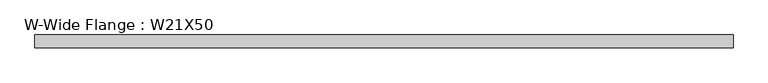
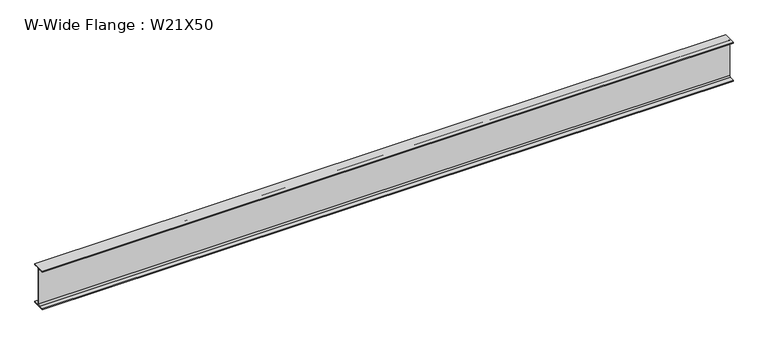
"""IFC4 building model written with IfcOpenShell, lengths in millimetres: beam geometry, W-Wide Flange : W21X50."""

from ifc_helpers import new_model, si_unit, point, frame, frame_2d, origin, place, context, project, spatial, polyline, circle_curve, trimmed, segment, composite_curve, outline, extrude, source, transform, mapped, element, save


def w_wide_flange_w21x50_3cc4504d(model_context):
    return source(origin(), model_context, "Body", "SweptSolid", [
        extrude(outline(composite_curve([segment(polyline([(82.946875, -250.5769531), (82.946875, -264.1699219), (-82.946875, -264.1699219), (-82.946875, -250.5769531), (-22.9691406, -250.5769531)]), True, "CONTINUOUS"), segment(trimmed(circle_curve(frame_2d((-22.9691406, -232.4199219)), 18.1570312), [point((-22.9691406, -250.5769531))], [point((-4.8121094, -232.4199219))], True, "CARTESIAN"), True, "CONTINUOUS"), segment(polyline([(-4.8121094, -232.4199219), (-4.8121094, 232.4199219)]), True, "CONTINUOUS"), segment(trimmed(circle_curve(frame_2d((-22.9691406, 232.4199219)), 18.1570312), [point((-4.8121094, 232.4199219))], [point((-22.9691406, 250.5769531))], True, "CARTESIAN"), True, "CONTINUOUS"), segment(polyline([(-22.9691406, 250.5769531), (-82.946875, 250.5769531), (-82.946875, 264.1699219), (82.946875, 264.1699219), (82.946875, 250.5769531), (22.9691406, 250.5769531)]), True, "CONTINUOUS"), segment(trimmed(circle_curve(frame_2d((22.9691406, 232.4199219)), 18.1570312), [point((22.9691406, 250.5769531))], [point((4.8121094, 232.4199219))], True, "CARTESIAN"), True, "CONTINUOUS"), segment(polyline([(4.8121094, 232.4199219), (4.8121094, -232.4199219)]), True, "CONTINUOUS"), segment(trimmed(circle_curve(frame_2d((22.9691406, -232.4199219)), 18.1570312), [point((4.8121094, -232.4199219))], [point((22.9691406, -250.5769531))], True, "CARTESIAN"), True, "CONTINUOUS"), segment(polyline([(22.9691406, -250.5769531), (82.946875, -250.5769531)]), True, "CONTINUOUS")], self_intersect=False)), frame((-4458.4441406, 0.0, 0.0), z_axis=(1.0, 0.0, 0.0), x_axis=(0.0, 1.0, 0.0)), (0.0, 0.0, 1.0), 8914.8542969),
    ])


if __name__ == "__main__":
    model = new_model("IFC4")
    model_context = context("Model", 3, world=origin())
    ifc_project = project(units=[si_unit("LENGTHUNIT", "METRE", prefix="MILLI")], contexts=[model_context])
    site = spatial("IfcSite", under=ifc_project)
    building = spatial("IfcBuilding", under=site)
    placement = place(None, origin())
    w_wide_flange_w21x50_shape = w_wide_flange_w21x50_3cc4504d(model_context)
    element("IfcBeam", 1, ObjectType="W-Wide Flange : W21X50", at=placement, inside=building, context=model_context, shape_type="MappedRepresentation", body=[
        mapped(w_wide_flange_w21x50_shape, transform((0.0, 0.0, 0.0), x_axis=(1.0, 0.0, 0.0), y_axis=(0.0, 1.0, 0.0), z_axis=(0.0, 0.0, 1.0))),
    ])
    save(model, "model.ifc")
